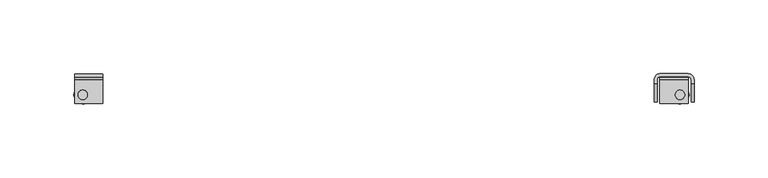
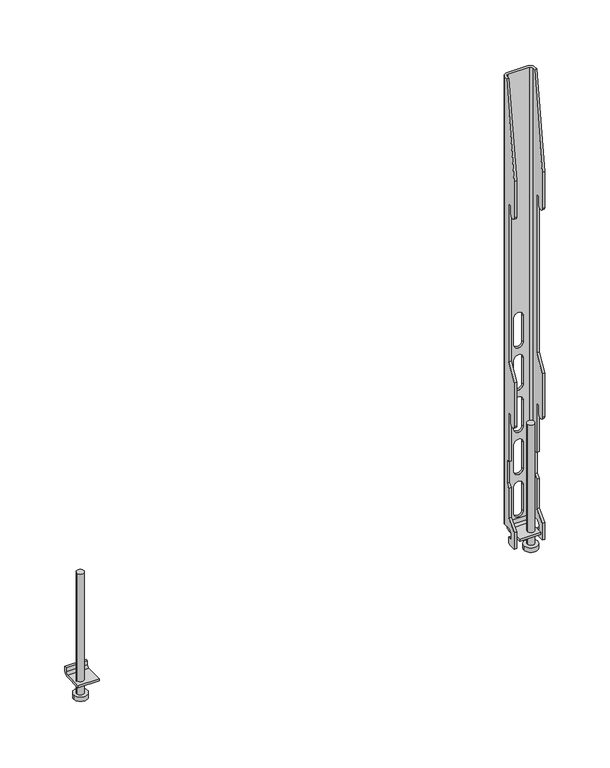
"""IFC4 building model written with IfcOpenShell, lengths in millimetres: furniture geometry."""

from ifc_helpers import new_model, si_unit, point, frame, frame_2d, origin, place, context, project, spatial, polyline, circle_curve, trimmed, segment, composite_curve, outline, extrude, source, transform, mapped, element, save
from ifc_brep_helpers import plane_surface, cylinder_surface, revolved_surface, advanced_brep


def furniture_82c41299(model_context):
    return source(origin(), model_context, "Body", "SolidModel", [
        extrude(outline(composite_curve([segment(polyline([(36.9636277, 1131.5158432), (36.9636277, 1127.5158239)]), True, "CONTINUOUS"), segment(trimmed(circle_curve(frame_2d((32.9636266, 1127.5158239)), 4.0000011), [point((36.9636277, 1127.5158239))], [point((32.9636266, 1123.5158228))], False, "CARTESIAN"), True, "CONTINUOUS"), segment(polyline([(32.9636266, 1123.5158228), (16.9636278, 1123.5158228), (16.9636278, 1125.5157734), (32.9636266, 1125.5157734)]), True, "CONTINUOUS"), segment(trimmed(circle_curve(frame_2d((32.9636266, 1127.515774)), 2.0000006), [point((32.9636266, 1125.5157734))], [point((34.9636271, 1127.515774))], True, "CARTESIAN"), True, "CONTINUOUS"), segment(polyline([(34.9636271, 1127.515774), (34.9636271, 1131.5158432), (36.9636277, 1131.5158432)]), True, "CONTINUOUS")], self_intersect=False)), frame((-209.6576124, 0.0, 0.0), z_axis=(1.0, 0.0, 0.0), x_axis=(0.0, 1.0, 0.0)), (0.0, 0.0, 1.0), 19.0000031),
        extrude(outline(composite_curve([segment(trimmed(circle_curve(frame_2d((-204.1576029, 22.8036272)), 3.1749879), [point((-207.3325908, 22.8036272))], [point((-200.9826151, 22.8036272))], False, "CARTESIAN"), True, "CONTINUOUS"), segment(trimmed(circle_curve(frame_2d((-204.1576029, 22.8036272)), 3.1749879), [point((-200.9826151, 22.8036272))], [point((-207.3325908, 22.8036272))], False, "CARTESIAN"), True, "CONTINUOUS")], self_intersect=False)), frame((0.0, 0.0, 1113.5157791), z_axis=(0.0, 0.0, 1.0), x_axis=(1.0, 0.0, 0.0)), (0.0, 0.0, 1.0), 114.3),
        advanced_brep(
        [(181.8882982, 32.9636356, 1555.3157744), (181.8882982, 29.9636247, 1555.3157744), (183.8882851, 29.9636247, 1555.3157744), (183.8882851, 32.963622, 1555.3157744), (185.8882902, 34.9636271, 1555.3157744), (204.8882978, 34.9636271, 1555.3157744), (206.8882984, 32.9636266, 1555.3157744), (206.8882984, 29.9636247, 1555.3157744), (208.8882853, 29.9636247, 1555.3157744), (208.8882853, 32.9636266, 1555.3157744), (204.8882842, 36.9636277, 1555.3157744), (185.8882902, 36.9636277, 1555.3157744), (206.8882984, 17.9636269, 1117.0157835), (206.8882984, 24.9636266, 1117.0157835), (208.8882853, 24.9636266, 1117.0157835), (208.8882853, 17.9636269, 1117.0157835), (181.8882982, 17.9636269, 1117.0157835), (181.8882982, 24.9636266, 1117.0157835), (183.8882851, 24.9636266, 1117.0157835), (183.8882851, 17.9636269, 1117.0157835), (181.8882982, 32.9636356, 1131.5158432), (181.8882982, 26.9636726, 1131.5158432), (181.8882982, 22.963626, 1127.5157967), (181.8882982, 22.963626, 1123.0157807), (181.8882982, 26.9636272, 1123.0157807), (181.8882982, 26.9636272, 1119.0157841), (181.8882982, 17.9636269, 1132.9157634), (181.8882982, 26.4636259, 1141.4157636), (181.8882982, 26.4636259, 1169.4575663), (181.8882982, 29.4636267, 1172.8389023), (181.8882982, 29.4636267, 1194.9158251), (181.8882982, 26.4636259, 1194.9158251), (181.8882982, 26.4636259, 1241.4158211), (181.8882982, 23.4636273, 1241.4158211), (181.8882982, 23.4636273, 1233.165816), (181.8882982, 17.9636269, 1233.165816), (181.8882982, 17.9636269, 1274.6933966), (181.8882982, 26.4636259, 1289.41577), (181.8882982, 26.4636259, 1439.4157267), (181.8882982, 23.4636273, 1439.4157267), (181.8882982, 23.4636273, 1431.1657942), (181.8882982, 17.9636269, 1431.1657942), (181.8882982, 17.9636269, 1465.3158442), (183.8882851, 17.9636269, 1132.9157634), (183.8882851, 17.9636269, 1431.1657942), (183.8882851, 17.9636269, 1465.3158442), (183.8882851, 17.9636269, 1233.165816), (183.8882851, 17.9636269, 1274.6933966), (183.8882851, 23.4636273, 1431.1657942), (183.8882851, 23.4636273, 1439.4157267), (183.8882851, 26.4636259, 1439.4157267), (183.8882851, 26.4636259, 1289.41577), (183.8882851, 23.4636273, 1233.165816), (183.8882851, 23.4636273, 1241.4158211), (183.8882851, 26.4636259, 1241.4158211), (183.8882851, 26.4636259, 1194.9158251), (183.8882851, 29.4636267, 1194.9158251), (183.8882851, 29.4636267, 1172.8389023), (183.8882851, 26.4636259, 1169.4575663), (183.8882851, 26.4636259, 1141.4157636), (183.8882851, 26.9636272, 1119.0157841), (183.8882851, 26.9636272, 1123.0157807), (183.8882851, 22.963626, 1123.0157807), (183.8882851, 22.963626, 1127.5157967), (183.8882851, 26.9636726, 1131.5158432), (183.8882851, 32.963622, 1131.5158432), (185.8882902, 34.9636271, 1131.5158432), (204.8882978, 34.9636271, 1131.5158432), (191.1382968, 34.9636271, 1321.9157767), (199.6382867, 34.9636271, 1321.9157767), (199.6382867, 34.9636271, 1297.1157643), (191.1382968, 34.9636271, 1297.1157643), (191.1382968, 34.9636271, 1281.91582), (199.6382867, 34.9636271, 1281.91582), (199.6382867, 34.9636271, 1257.1158076), (191.1382968, 34.9636271, 1257.1158076), (191.1382968, 34.9636271, 1241.9157906), (199.6382867, 34.9636271, 1241.9157906), (199.6382867, 34.9636271, 1217.1157782), (191.1382968, 34.9636271, 1217.1157782), (191.1382968, 34.9636271, 1201.9157612), (199.6382867, 34.9636271, 1201.9157612), (199.6382867, 34.9636271, 1177.1157488), (191.1382968, 34.9636271, 1177.1157488), (191.1382968, 34.9636271, 1161.9158045), (199.6382867, 34.9636271, 1161.9158045), (199.6382867, 34.9636271, 1137.1157921), (191.1382968, 34.9636271, 1137.1157921), (206.8882984, 32.9636266, 1131.5158432), (206.8882984, 26.9636726, 1131.5158432), (206.8882984, 22.963626, 1127.5157967), (206.8882984, 22.963626, 1123.0157807), (206.8882984, 26.9636272, 1123.0157807), (206.8882984, 26.9636272, 1119.0157841), (206.8882984, 17.9636269, 1132.9157634), (206.8882984, 26.4636259, 1141.4157636), (206.8882984, 26.4636259, 1169.4575663), (206.8882984, 29.4636267, 1172.8389023), (206.8882984, 29.4636267, 1194.9158251), (206.8882984, 26.4636259, 1194.9158251), (206.8882984, 26.4636259, 1241.4158211), (206.8882984, 23.4636273, 1241.4158211), (206.8882984, 23.4636273, 1233.165816), (206.8882984, 17.9636269, 1233.165816), (206.8882984, 17.9636269, 1274.6933966), (206.8882984, 26.4636259, 1289.41577), (206.8882984, 26.4636259, 1439.4157267), (206.8882984, 23.4636273, 1439.4157267), (206.8882984, 23.4636273, 1431.1657942), (206.8882984, 17.9636269, 1431.1657942), (206.8882984, 17.9636269, 1465.3158442), (208.8882853, 17.9636269, 1132.9157634), (208.8882853, 17.9636269, 1431.1657942), (208.8882853, 17.9636269, 1465.3158442), (208.8882853, 17.9636269, 1233.165816), (208.8882853, 17.9636269, 1274.6933966), (208.8882853, 23.4636273, 1431.1657942), (208.8882853, 23.4636273, 1439.4157267), (208.8882853, 26.4636259, 1439.4157267), (208.8882853, 26.4636259, 1289.41577), (208.8882853, 23.4636273, 1233.165816), (208.8882853, 23.4636273, 1241.4158211), (208.8882853, 26.4636259, 1241.4158211), (208.8882853, 26.4636259, 1194.9158251), (208.8882853, 29.4636267, 1194.9158251), (208.8882853, 29.4636267, 1172.8389023), (208.8882853, 26.4636259, 1169.4575663), (208.8882853, 26.4636259, 1141.4157636), (208.8882853, 26.9636272, 1119.0157841), (208.8882853, 26.9636272, 1123.0157807), (208.8882853, 22.963626, 1123.0157807), (208.8882853, 22.963626, 1127.5157967), (208.8882853, 26.9636726, 1131.5158432), (208.8882853, 32.9636266, 1131.5158432), (204.8882842, 36.9636277, 1131.5158432), (185.8882902, 36.9636277, 1131.5158432), (191.1382968, 36.9636277, 1297.1157643), (199.6382867, 36.9636277, 1297.1157643), (199.6382867, 36.9636277, 1321.9157767), (191.1382968, 36.9636277, 1321.9157767), (191.1382968, 36.9636277, 1257.1158076), (199.6382867, 36.9636277, 1257.1158076), (199.6382867, 36.9636277, 1281.91582), (191.1382968, 36.9636277, 1281.91582), (191.1382968, 36.9636277, 1217.1157782), (199.6382867, 36.9636277, 1217.1157782), (199.6382867, 36.9636277, 1241.9157906), (191.1382968, 36.9636277, 1241.9157906), (191.1382968, 36.9636277, 1177.1157488), (199.6382867, 36.9636277, 1177.1157488), (199.6382867, 36.9636277, 1201.9157612), (191.1382968, 36.9636277, 1201.9157612), (191.1382968, 36.9636277, 1137.1157921), (199.6382867, 36.9636277, 1137.1157921), (199.6382867, 36.9636277, 1161.9158045), (191.1382968, 36.9636277, 1161.9158045)],
        [
            (0, 1),
            (1, 2),
            (2, 3),
            (3, 4, circle_curve(frame((185.8882902, 32.963622, 1555.3157744), z_axis=(0.0, 0.0, -1.0), x_axis=(-1.0, 0.0, 0.0)), 2.0000051)),
            (4, 5),
            (5, 6, circle_curve(frame((204.8882978, 32.9636266, 1555.3157744), z_axis=(0.0, 0.0, -1.0), x_axis=(-1.0, 0.0, 0.0)), 2.0000006)),
            (6, 7),
            (7, 8),
            (8, 9),
            (9, 10, circle_curve(frame((204.8882842, 32.9636266, 1555.3157744), z_axis=(0.0, 0.0, 1.0), x_axis=(-1.0, 0.0, 0.0)), 4.0000011)),
            (10, 11),
            (11, 0, circle_curve(frame((185.8882902, 32.9636356, 1555.3157744), z_axis=(0.0, 0.0, 1.0), x_axis=(-1.0, 0.0, 0.0)), 3.999992)),
            (12, 13),
            (13, 14),
            (14, 15),
            (15, 12),
            (16, 17),
            (17, 18),
            (18, 19),
            (19, 16),
            (0, 20),
            (20, 21),
            (21, 22, circle_curve(frame((181.8882982, 26.9636726, 1127.5157967), z_axis=(1.0, 0.0, 0.0), x_axis=(0.0, 1.0, 0.0)), 4.0000465)),
            (22, 23),
            (23, 24),
            (24, 25),
            (25, 17, circle_curve(frame((181.8882982, 24.9636266, 1119.0157841), z_axis=(-1.0, 0.0, 0.0), x_axis=(0.0, 1.0, 0.0)), 2.0000006)),
            (16, 26),
            (26, 27),
            (27, 28),
            (28, 29),
            (29, 30),
            (30, 31),
            (31, 32),
            (32, 33),
            (33, 34),
            (34, 35, circle_curve(frame((181.8882982, 20.7136271, 1233.165816), z_axis=(-1.0, 0.0, 0.0), x_axis=(0.0, 1.0, 0.0)), 2.7500002)),
            (35, 36),
            (36, 37),
            (37, 38),
            (38, 39),
            (39, 40),
            (40, 41, circle_curve(frame((181.8882982, 20.7136271, 1431.1657942), z_axis=(-1.0, 0.0, 0.0), x_axis=(0.0, 1.0, 0.0)), 2.7500002)),
            (41, 42),
            (42, 1),
            (19, 43),
            (43, 26),
            (41, 44),
            (44, 45),
            (45, 42),
            (35, 46),
            (46, 47),
            (47, 36),
            (2, 45),
            (44, 48, circle_curve(frame((183.8882851, 20.7136271, 1431.1657942), z_axis=(1.0, 0.0, 0.0), x_axis=(0.0, 1.0, 0.0)), 2.7500002)),
            (48, 49),
            (49, 50),
            (50, 51),
            (51, 47),
            (46, 52, circle_curve(frame((183.8882851, 20.7136271, 1233.165816), z_axis=(1.0, 0.0, 0.0), x_axis=(0.0, 1.0, 0.0)), 2.7500002)),
            (52, 53),
            (53, 54),
            (54, 55),
            (55, 56),
            (56, 57),
            (57, 58),
            (58, 59),
            (59, 43),
            (18, 60, circle_curve(frame((183.8882851, 24.9636266, 1119.0157841), z_axis=(1.0, 0.0, 0.0), x_axis=(0.0, 1.0, 0.0)), 2.0000006)),
            (60, 61),
            (61, 62),
            (62, 63),
            (63, 64, circle_curve(frame((183.8882851, 26.9636726, 1127.5157967), z_axis=(-1.0, 0.0, 0.0), x_axis=(0.0, 1.0, 0.0)), 4.0000465)),
            (64, 65),
            (65, 3),
            (65, 66, circle_curve(frame((185.8882902, 32.963622, 1131.5158432), z_axis=(0.0, 0.0, -1.0), x_axis=(-1.0, 0.0, 0.0)), 2.0000051)),
            (66, 4),
            (66, 67),
            (67, 5),
            (68, 69, circle_curve(frame((195.3882917, 34.9636271, 1321.9157767), z_axis=(0.0, 1.0, 0.0), x_axis=(-1.0, 0.0, 0.0)), 4.2499949)),
            (69, 70),
            (70, 71, circle_curve(frame((195.3882917, 34.9636271, 1297.1157643), z_axis=(0.0, 1.0, 0.0), x_axis=(-1.0, 0.0, 0.0)), 4.2499949)),
            (71, 68),
            (72, 73, circle_curve(frame((195.3882917, 34.9636271, 1281.91582), z_axis=(0.0, 1.0, 0.0), x_axis=(-1.0, 0.0, 0.0)), 4.2499949)),
            (73, 74),
            (74, 75, circle_curve(frame((195.3882917, 34.9636271, 1257.1158076), z_axis=(0.0, 1.0, 0.0), x_axis=(-1.0, 0.0, 0.0)), 4.2499949)),
            (75, 72),
            (76, 77, circle_curve(frame((195.3882917, 34.9636271, 1241.9157906), z_axis=(0.0, 1.0, 0.0), x_axis=(-1.0, 0.0, 0.0)), 4.2499949)),
            (77, 78),
            (78, 79, circle_curve(frame((195.3882917, 34.9636271, 1217.1157782), z_axis=(0.0, 1.0, 0.0), x_axis=(-1.0, 0.0, 0.0)), 4.2499949)),
            (79, 76),
            (80, 81, circle_curve(frame((195.3882917, 34.9636271, 1201.9157612), z_axis=(0.0, 1.0, 0.0), x_axis=(-1.0, 0.0, 0.0)), 4.2499949)),
            (81, 82),
            (82, 83, circle_curve(frame((195.3882917, 34.9636271, 1177.1157488), z_axis=(0.0, 1.0, 0.0), x_axis=(-1.0, 0.0, 0.0)), 4.2499949)),
            (83, 80),
            (84, 85, circle_curve(frame((195.3882917, 34.9636271, 1161.9158045), z_axis=(0.0, 1.0, 0.0), x_axis=(-1.0, 0.0, 0.0)), 4.2499949)),
            (85, 86),
            (86, 87, circle_curve(frame((195.3882917, 34.9636271, 1137.1157921), z_axis=(0.0, 1.0, 0.0), x_axis=(-1.0, 0.0, 0.0)), 4.2499949)),
            (87, 84),
            (67, 88, circle_curve(frame((204.8882978, 32.9636266, 1131.5158432), z_axis=(0.0, 0.0, -1.0), x_axis=(-1.0, 0.0, 0.0)), 2.0000006)),
            (88, 6),
            (88, 89),
            (89, 90, circle_curve(frame((206.8882984, 26.9636726, 1127.5157967), z_axis=(1.0, 0.0, 0.0), x_axis=(0.0, 1.0, 0.0)), 4.0000465)),
            (90, 91),
            (91, 92),
            (92, 93),
            (93, 13, circle_curve(frame((206.8882984, 24.9636266, 1119.0157841), z_axis=(-1.0, 0.0, 0.0), x_axis=(0.0, 1.0, 0.0)), 2.0000006)),
            (12, 94),
            (94, 95),
            (95, 96),
            (96, 97),
            (97, 98),
            (98, 99),
            (99, 100),
            (100, 101),
            (101, 102),
            (102, 103, circle_curve(frame((206.8882984, 20.7136271, 1233.165816), z_axis=(-1.0, 0.0, 0.0), x_axis=(0.0, 1.0, 0.0)), 2.7500002)),
            (103, 104),
            (104, 105),
            (105, 106),
            (106, 107),
            (107, 108),
            (108, 109, circle_curve(frame((206.8882984, 20.7136271, 1431.1657942), z_axis=(-1.0, 0.0, 0.0), x_axis=(0.0, 1.0, 0.0)), 2.7500002)),
            (109, 110),
            (110, 7),
            (15, 111),
            (111, 94),
            (109, 112),
            (112, 113),
            (113, 110),
            (103, 114),
            (114, 115),
            (115, 104),
            (8, 113),
            (112, 116, circle_curve(frame((208.8882853, 20.7136271, 1431.1657942), z_axis=(1.0, 0.0, 0.0), x_axis=(0.0, 1.0, 0.0)), 2.7500002)),
            (116, 117),
            (117, 118),
            (118, 119),
            (119, 115),
            (114, 120, circle_curve(frame((208.8882853, 20.7136271, 1233.165816), z_axis=(1.0, 0.0, 0.0), x_axis=(0.0, 1.0, 0.0)), 2.7500002)),
            (120, 121),
            (121, 122),
            (122, 123),
            (123, 124),
            (124, 125),
            (125, 126),
            (126, 127),
            (127, 111),
            (14, 128, circle_curve(frame((208.8882853, 24.9636266, 1119.0157841), z_axis=(1.0, 0.0, 0.0), x_axis=(0.0, 1.0, 0.0)), 2.0000006)),
            (128, 129),
            (129, 130),
            (130, 131),
            (131, 132, circle_curve(frame((208.8882853, 26.9636726, 1127.5157967), z_axis=(-1.0, 0.0, 0.0), x_axis=(0.0, 1.0, 0.0)), 4.0000465)),
            (132, 133),
            (133, 9),
            (133, 134, circle_curve(frame((204.8882842, 32.9636266, 1131.5158432), z_axis=(0.0, 0.0, 1.0), x_axis=(-1.0, 0.0, 0.0)), 4.0000011)),
            (134, 10),
            (134, 135),
            (135, 11),
            (136, 137, circle_curve(frame((195.3882917, 36.9636277, 1297.1157643), z_axis=(0.0, -1.0, 0.0), x_axis=(-1.0, 0.0, 0.0)), 4.2499949)),
            (137, 138),
            (138, 139, circle_curve(frame((195.3882917, 36.9636277, 1321.9157767), z_axis=(0.0, -1.0, 0.0), x_axis=(-1.0, 0.0, 0.0)), 4.2499949)),
            (139, 136),
            (140, 141, circle_curve(frame((195.3882917, 36.9636277, 1257.1158076), z_axis=(0.0, -1.0, 0.0), x_axis=(-1.0, 0.0, 0.0)), 4.2499949)),
            (141, 142),
            (142, 143, circle_curve(frame((195.3882917, 36.9636277, 1281.91582), z_axis=(0.0, -1.0, 0.0), x_axis=(-1.0, 0.0, 0.0)), 4.2499949)),
            (143, 140),
            (144, 145, circle_curve(frame((195.3882917, 36.9636277, 1217.1157782), z_axis=(0.0, -1.0, 0.0), x_axis=(-1.0, 0.0, 0.0)), 4.2499949)),
            (145, 146),
            (146, 147, circle_curve(frame((195.3882917, 36.9636277, 1241.9157906), z_axis=(0.0, -1.0, 0.0), x_axis=(-1.0, 0.0, 0.0)), 4.2499949)),
            (147, 144),
            (148, 149, circle_curve(frame((195.3882917, 36.9636277, 1177.1157488), z_axis=(0.0, -1.0, 0.0), x_axis=(-1.0, 0.0, 0.0)), 4.2499949)),
            (149, 150),
            (150, 151, circle_curve(frame((195.3882917, 36.9636277, 1201.9157612), z_axis=(0.0, -1.0, 0.0), x_axis=(-1.0, 0.0, 0.0)), 4.2499949)),
            (151, 148),
            (152, 153, circle_curve(frame((195.3882917, 36.9636277, 1137.1157921), z_axis=(0.0, -1.0, 0.0), x_axis=(-1.0, 0.0, 0.0)), 4.2499949)),
            (153, 154),
            (154, 155, circle_curve(frame((195.3882917, 36.9636277, 1161.9158045), z_axis=(0.0, -1.0, 0.0), x_axis=(-1.0, 0.0, 0.0)), 4.2499949)),
            (155, 152),
            (135, 20, circle_curve(frame((185.8882902, 32.9636356, 1131.5158432), z_axis=(0.0, 0.0, 1.0), x_axis=(-1.0, 0.0, 0.0)), 3.999992)),
            (71, 136),
            (139, 68),
            (138, 69),
            (137, 70),
            (75, 140),
            (143, 72),
            (142, 73),
            (141, 74),
            (79, 144),
            (147, 76),
            (146, 77),
            (145, 78),
            (83, 148),
            (151, 80),
            (150, 81),
            (149, 82),
            (87, 152),
            (155, 84),
            (154, 85),
            (153, 86),
            (37, 51),
            (50, 38),
            (105, 119),
            (118, 106),
            (40, 48),
            (108, 116),
            (39, 49),
            (107, 117),
            (31, 55),
            (54, 32),
            (99, 123),
            (122, 100),
            (30, 56),
            (98, 124),
            (29, 57),
            (97, 125),
            (28, 58),
            (96, 126),
            (27, 59),
            (95, 127),
            (34, 52),
            (102, 120),
            (33, 53),
            (101, 121),
            (132, 89),
            (64, 21),
            (25, 60),
            (93, 128),
            (24, 61),
            (92, 129),
            (23, 62),
            (91, 130),
            (22, 63),
            (90, 131),
        ],
        [
            plane_surface(frame((181.8882982, 32.9636356, 1555.3157744), z_axis=(0.0, 0.0, 1.0), x_axis=(0.0, 1.0, 0.0))),
            plane_surface(frame((181.8882982, 32.9636356, 1117.0157835), z_axis=(0.0, 0.0, -1.0), x_axis=(0.0, -1.0, 0.0))),
            plane_surface(frame((181.8882982, 17.9636269, 1555.3157744), z_axis=(-1.0, 0.0, 0.0), x_axis=(0.0, 0.0, -1.0))),
            plane_surface(frame((183.8882851, 17.9636269, 1555.3157744), z_axis=(0.0, -1.0, 0.0), x_axis=(0.0, 0.0, -1.0))),
            plane_surface(frame((183.8882851, 32.963622, 1555.3157744), z_axis=(1.0, 0.0, 0.0), x_axis=(0.0, 0.0, -1.0))),
            revolved_surface(polyline([(183.8882851, 32.963622, 1131.5158432), (183.8882851, 32.963622, 1555.3157744)]), (185.8882902, 32.963622, 1117.0157835), (0.0, 0.0, -1.0)),
            plane_surface(frame((204.8882978, 34.9636271, 1555.3157744), z_axis=(0.0, -1.0, 0.0), x_axis=(0.0, 0.0, -1.0))),
            revolved_surface(polyline([(202.8882972, 32.9636266, 1131.5158432), (202.8882972, 32.9636266, 1555.3157744)]), (204.8882978, 32.9636266, 1117.0157835), (0.0, 0.0, -1.0)),
            plane_surface(frame((206.8882984, 17.9636269, 1555.3157744), z_axis=(-1.0, 0.0, 0.0), x_axis=(0.0, 0.0, -1.0))),
            plane_surface(frame((208.8882853, 17.9636269, 1555.3157744), z_axis=(0.0, -1.0, 0.0), x_axis=(0.0, 0.0, -1.0))),
            plane_surface(frame((208.8882853, 32.9636266, 1555.3157744), z_axis=(1.0, 0.0, 0.0), x_axis=(0.0, 0.0, -1.0))),
            cylinder_surface(frame((204.8882842, 32.9636266, 1117.0157835), z_axis=(0.0, 0.0, 1.0), x_axis=(-1.0, 0.0, 0.0)), 4.0000011),
            plane_surface(frame((185.8882902, 36.9636277, 1555.3157744), z_axis=(0.0, 1.0, 0.0), x_axis=(0.0, 0.0, -1.0))),
            cylinder_surface(frame((185.8882902, 32.9636356, 1117.0157835), z_axis=(0.0, 0.0, 1.0), x_axis=(-1.0, 0.0, 0.0)), 3.999992),
            plane_surface(frame((191.1382968, 43.4479611, 1321.9157767), z_axis=(1.0, 0.0, 0.0), x_axis=(0.0, -1.0, 0.0))),
            revolved_surface(polyline([(191.1382968, 36.9636277, 1321.9157767), (191.1382968, 34.9636271, 1321.9157767)]), (195.3882917, 32.0423365, 1321.9157767), (0.0, 1.0, 0.0)),
            plane_surface(frame((199.6382867, 43.4479611, 1297.1157643), z_axis=(-1.0, 0.0, 0.0), x_axis=(0.0, -1.0, 0.0))),
            revolved_surface(polyline([(191.1382968, 36.9636277, 1297.1157643), (191.1382968, 34.9636271, 1297.1157643)]), (195.3882917, 32.0423365, 1297.1157643), (0.0, 1.0, 0.0)),
            plane_surface(frame((191.1382968, 43.4479611, 1281.91582), z_axis=(1.0, 0.0, 0.0), x_axis=(0.0, -1.0, 0.0))),
            revolved_surface(polyline([(191.1382968, 36.9636277, 1281.91582), (191.1382968, 34.9636271, 1281.91582)]), (195.3882917, 0.0, 1281.91582), (0.0, 1.0, 0.0)),
            plane_surface(frame((199.6382867, 43.4479611, 1257.1158076), z_axis=(-1.0, 0.0, 0.0), x_axis=(0.0, -1.0, 0.0))),
            revolved_surface(polyline([(191.1382968, 36.9636277, 1257.1158076), (191.1382968, 34.9636271, 1257.1158076)]), (195.3882917, 0.0, 1257.1158076), (0.0, 1.0, 0.0)),
            plane_surface(frame((191.1382968, 43.4479611, 1241.9157906), z_axis=(1.0, 0.0, 0.0), x_axis=(0.0, -1.0, 0.0))),
            revolved_surface(polyline([(191.1382968, 36.9636277, 1241.9157906), (191.1382968, 34.9636271, 1241.9157906)]), (195.3882917, 0.0, 1241.9157906), (0.0, 1.0, 0.0)),
            plane_surface(frame((199.6382867, 43.4479611, 1217.1157782), z_axis=(-1.0, 0.0, 0.0), x_axis=(0.0, -1.0, 0.0))),
            revolved_surface(polyline([(191.1382968, 36.9636277, 1217.1157782), (191.1382968, 34.9636271, 1217.1157782)]), (195.3882917, 0.0, 1217.1157782), (0.0, 1.0, 0.0)),
            plane_surface(frame((191.1382968, 43.4479611, 1201.9157612), z_axis=(1.0, 0.0, 0.0), x_axis=(0.0, -1.0, 0.0))),
            revolved_surface(polyline([(191.1382968, 36.9636277, 1201.9157612), (191.1382968, 34.9636271, 1201.9157612)]), (195.3882917, 0.0, 1201.9157612), (0.0, 1.0, 0.0)),
            plane_surface(frame((199.6382867, 43.4479611, 1177.1157488), z_axis=(-1.0, 0.0, 0.0), x_axis=(0.0, -1.0, 0.0))),
            revolved_surface(polyline([(191.1382968, 36.9636277, 1177.1157488), (191.1382968, 34.9636271, 1177.1157488)]), (195.3882917, 0.0, 1177.1157488), (0.0, 1.0, 0.0)),
            plane_surface(frame((191.1382968, 43.4479611, 1161.9158045), z_axis=(1.0, 0.0, 0.0), x_axis=(0.0, -1.0, 0.0))),
            revolved_surface(polyline([(191.1382968, 36.9636277, 1161.9158045), (191.1382968, 34.9636271, 1161.9158045)]), (195.3882917, 0.0, 1161.9158045), (0.0, 1.0, 0.0)),
            plane_surface(frame((199.6382867, 43.4479611, 1137.1157921), z_axis=(-1.0, 0.0, 0.0), x_axis=(0.0, -1.0, 0.0))),
            revolved_surface(polyline([(191.1382968, 36.9636277, 1137.1157921), (191.1382968, 34.9636271, 1137.1157921)]), (195.3882917, 0.0, 1137.1157921), (0.0, 1.0, 0.0)),
            plane_surface(frame((226.6458366, 29.9636247, 1555.3157744), z_axis=(0.0, -0.9912278903845622, 0.13216379732653882), x_axis=(-1.0, 0.0, 0.0))),
            plane_surface(frame((226.6458366, 26.4636259, 1439.4157267), z_axis=(0.0, -1.0, 0.0), x_axis=(-1.0, 0.0, 0.0))),
            plane_surface(frame((226.6458366, 26.4636259, 1289.41577), z_axis=(0.0, -0.8660245695453659, 0.5000014449416761), x_axis=(-1.0, 0.0, 0.0))),
            cylinder_surface(frame((0.0, 20.7136271, 1431.1657942), z_axis=(-1.0, 0.0, 0.0), x_axis=(0.0, 1.0, 0.0)), 2.7500002),
            plane_surface(frame((226.6458366, 23.4636273, 1431.1657942), z_axis=(0.0, 1.0, 0.0), x_axis=(-1.0, 0.0, 0.0))),
            plane_surface(frame((226.6458366, 23.4636273, 1439.4157267), z_axis=(0.0, 0.0, -1.0), x_axis=(-1.0, 0.0, 0.0))),
            plane_surface(frame((226.6458366, 26.4636259, 1241.4158211), z_axis=(0.0, -1.0, 0.0), x_axis=(-1.0, 0.0, 0.0))),
            plane_surface(frame((226.6458366, 26.4636259, 1194.9158251), z_axis=(0.0, 0.0, -1.0), x_axis=(-1.0, 0.0, 0.0))),
            plane_surface(frame((226.6458366, 29.4636267, 1194.9158251), z_axis=(0.0, -1.0, 0.0), x_axis=(-1.0, 0.0, 0.0))),
            plane_surface(frame((226.6458366, 29.4636267, 1172.8389023), z_axis=(0.0, -0.7480275709207617, 0.6636676526262109), x_axis=(-1.0, 0.0, 0.0))),
            plane_surface(frame((226.6458366, 26.4636259, 1169.4575663), z_axis=(0.0, -1.0, 0.0), x_axis=(-1.0, 0.0, 0.0))),
            plane_surface(frame((226.6458366, 26.4636259, 1141.4157636), z_axis=(0.0, -0.7071068328679035, 0.7071067295051878), x_axis=(-1.0, 0.0, 0.0))),
            cylinder_surface(frame((0.0, 20.7136271, 1233.165816), z_axis=(-1.0, 0.0, 0.0), x_axis=(0.0, 1.0, 0.0)), 2.7500002),
            plane_surface(frame((226.6458366, 23.4636273, 1233.165816), z_axis=(0.0, 1.0, 0.0), x_axis=(-1.0, 0.0, 0.0))),
            plane_surface(frame((226.6458366, 23.4636273, 1241.4158211), z_axis=(0.0, 0.0, -1.0), x_axis=(-1.0, 0.0, 0.0))),
            plane_surface(frame((226.6458366, 26.9636726, 1131.5158432), z_axis=(0.0, 0.0, -1.0), x_axis=(-1.0, 0.0, 0.0))),
            cylinder_surface(frame((0.0, 24.9636266, 1119.0157841), z_axis=(-1.0, 0.0, 0.0), x_axis=(0.0, 1.0, 0.0)), 2.0000006),
            plane_surface(frame((226.6458366, 26.9636272, 1119.0157841), z_axis=(0.0, 1.0, 0.0), x_axis=(-1.0, 0.0, 0.0))),
            plane_surface(frame((226.6458366, 26.9636272, 1123.0157807), z_axis=(0.0, 0.0, 1.0), x_axis=(-1.0, 0.0, 0.0))),
            plane_surface(frame((226.6458366, 22.963626, 1123.0157807), z_axis=(0.0, 1.0, 0.0), x_axis=(-1.0, 0.0, 0.0))),
            revolved_surface(polyline([(183.8882851, 30.9637191, 1127.5157967), (181.8882982, 30.9637191, 1127.5157967)]), (0.0, 26.9636726, 1127.5157967), (1.0, 0.0, 0.0)),
            revolved_surface(polyline([(208.8882853, 30.9637191, 1127.5157967), (206.8882984, 30.9637191, 1127.5157967)]), (0.0, 26.9636726, 1127.5157967), (1.0, 0.0, 0.0)),
        ],
        [
            (0, [[1, 2, 3, 4, 5, 6, 7, 8, 9, 10, 11, 12]]),
            (1, [[13, 14, 15, 16]]),
            (1, [[17, 18, 19, 20]]),
            (2, [[21, 22, 23, 24, 25, 26, 27, -17, 28, 29, 30, 31, 32, 33, 34, 35, 36, 37, 38, 39, 40, 41, 42, 43, 44, 45, -1]]),
            (3, [[46, 47, -28, -20]]),
            (3, [[48, 49, 50, -44]]),
            (3, [[51, 52, 53, -38]]),
            (4, [[54, -49, 55, 56, 57, 58, 59, -52, 60, 61, 62, 63, 64, 65, 66, 67, 68, -46, -19, 69, 70, 71, 72, 73, 74, 75, -3]]),
            (5, [[-75, 76, 77, -4]]),
            (6, [[-77, 78, 79, -5], [80, 81, 82, 83], [84, 85, 86, 87], [88, 89, 90, 91], [92, 93, 94, 95], [96, 97, 98, 99]]),
            (7, [[-79, 100, 101, -6]]),
            (8, [[-101, 102, 103, 104, 105, 106, 107, -13, 108, 109, 110, 111, 112, 113, 114, 115, 116, 117, 118, 119, 120, 121, 122, 123, 124, 125, -7]]),
            (9, [[126, 127, -108, -16]]),
            (9, [[128, 129, 130, -124]]),
            (9, [[131, 132, 133, -118]]),
            (10, [[134, -129, 135, 136, 137, 138, 139, -132, 140, 141, 142, 143, 144, 145, 146, 147, 148, -126, -15, 149, 150, 151, 152, 153, 154, 155, -9]]),
            (11, [[-155, 156, 157, -10]]),
            (12, [[-157, 158, 159, -11], [160, 161, 162, 163], [164, 165, 166, 167], [168, 169, 170, 171], [172, 173, 174, 175], [176, 177, 178, 179]]),
            (13, [[-159, 180, -21, -12]]),
            (14, [[-83, 181, -163, 182]]),
            (15, [[-162, 183, -80, -182]]),
            (16, [[-161, 184, -81, -183]]),
            (17, [[-160, -181, -82, -184]]),
            (18, [[-87, 185, -167, 186]]),
            (19, [[-166, 187, -84, -186]]),
            (20, [[-165, 188, -85, -187]]),
            (21, [[-164, -185, -86, -188]]),
            (22, [[-91, 189, -171, 190]]),
            (23, [[-170, 191, -88, -190]]),
            (24, [[-169, 192, -89, -191]]),
            (25, [[-168, -189, -90, -192]]),
            (26, [[-95, 193, -175, 194]]),
            (27, [[-174, 195, -92, -194]]),
            (28, [[-173, 196, -93, -195]]),
            (29, [[-172, -193, -94, -196]]),
            (30, [[-99, 197, -179, 198]]),
            (31, [[-178, 199, -96, -198]]),
            (32, [[-177, 200, -97, -199]]),
            (33, [[-176, -197, -98, -200]]),
            (34, [[-45, -50, -54, -2]]),
            (34, [[-125, -130, -134, -8]]),
            (35, [[-40, 201, -58, 202]]),
            (35, [[-120, 203, -138, 204]]),
            (36, [[-39, -53, -59, -201]]),
            (36, [[-119, -133, -139, -203]]),
            (37, [[-55, -48, -43, 205]]),
            (37, [[-135, -128, -123, 206]]),
            (38, [[-42, 207, -56, -205]]),
            (38, [[-122, 208, -136, -206]]),
            (39, [[-57, -207, -41, -202]]),
            (39, [[-137, -208, -121, -204]]),
            (40, [[-34, 209, -63, 210]]),
            (40, [[-114, 211, -143, 212]]),
            (41, [[-33, 213, -64, -209]]),
            (41, [[-113, 214, -144, -211]]),
            (42, [[-32, 215, -65, -213]]),
            (42, [[-112, 216, -145, -214]]),
            (43, [[-31, 217, -66, -215]]),
            (43, [[-111, 218, -146, -216]]),
            (44, [[-30, 219, -67, -217]]),
            (44, [[-110, 220, -147, -218]]),
            (45, [[-29, -47, -68, -219]]),
            (45, [[-109, -127, -148, -220]]),
            (46, [[-60, -51, -37, 221]]),
            (46, [[-140, -131, -117, 222]]),
            (47, [[-36, 223, -61, -221]]),
            (47, [[-116, 224, -141, -222]]),
            (48, [[-62, -223, -35, -210]]),
            (48, [[-142, -224, -115, -212]]),
            (49, [[-22, -180, -158, -156, -154, 225, -102, -100, -78, -76, -74, 226]]),
            (50, [[-69, -18, -27, 227]]),
            (50, [[-149, -14, -107, 228]]),
            (51, [[-26, 229, -70, -227]]),
            (51, [[-106, 230, -150, -228]]),
            (52, [[-25, 231, -71, -229]]),
            (52, [[-105, 232, -151, -230]]),
            (53, [[-24, 233, -72, -231]]),
            (53, [[-104, 234, -152, -232]]),
            (54, [[-73, -233, -23, -226]]),
            (55, [[-153, -234, -103, -225]]),
        ],
    ),
        extrude(outline(composite_curve([segment(polyline([(36.9636277, 1131.5158432), (36.9636277, 1127.5158239)]), True, "CONTINUOUS"), segment(trimmed(circle_curve(frame_2d((32.9636266, 1127.5158239)), 4.0000011), [point((36.9636277, 1127.5158239))], [point((32.9636266, 1123.5158228))], False, "CARTESIAN"), True, "CONTINUOUS"), segment(polyline([(32.9636266, 1123.5158228), (16.9636278, 1123.5158228), (16.9636278, 1125.5157734), (32.9636266, 1125.5157734)]), True, "CONTINUOUS"), segment(trimmed(circle_curve(frame_2d((32.9636266, 1127.515774)), 2.0000006), [point((32.9636266, 1125.5157734))], [point((34.9636271, 1127.515774))], True, "CARTESIAN"), True, "CONTINUOUS"), segment(polyline([(34.9636271, 1127.515774), (34.9636271, 1131.5158432), (36.9636277, 1131.5158432)]), True, "CONTINUOUS")], self_intersect=False)), frame((185.8882902, 0.0, 0.0), z_axis=(1.0, 0.0, 0.0), x_axis=(0.0, 1.0, 0.0)), (0.0, 0.0, 1.0), 19.0000031),
        extrude(outline(composite_curve([segment(trimmed(circle_curve(frame_2d((199.3882838, 22.8036272)), 6.1585259), [point((205.5468096, 22.8036272))], [point((193.2297579, 22.8036272))], False, "CARTESIAN"), True, "CONTINUOUS"), segment(trimmed(circle_curve(frame_2d((199.3882838, 22.8036272)), 6.1585259), [point((193.2297579, 22.8036272))], [point((205.5468096, 22.8036272))], False, "CARTESIAN"), True, "CONTINUOUS")], self_intersect=False)), frame((0.0, 0.0, 1109.2688), z_axis=(0.0, 0.0, 1.0), x_axis=(1.0, 0.0, 0.0)), (0.0, 0.0, 1.0), 4.2469791),
        extrude(outline(composite_curve([segment(trimmed(circle_curve(frame_2d((199.3882838, 22.8036272)), 3.1749879), [point((202.5632717, 22.8036272))], [point((196.2132959, 22.8036272))], False, "CARTESIAN"), True, "CONTINUOUS"), segment(trimmed(circle_curve(frame_2d((199.3882838, 22.8036272)), 3.1749879), [point((196.2132959, 22.8036272))], [point((202.5632717, 22.8036272))], False, "CARTESIAN"), True, "CONTINUOUS")], self_intersect=False)), frame((0.0, 0.0, 1113.5157791), z_axis=(0.0, 0.0, 1.0), x_axis=(1.0, 0.0, 0.0)), (0.0, 0.0, 1.0), 114.3),
        extrude(outline(composite_curve([segment(trimmed(circle_curve(frame_2d((-203.9240716, 22.8036272)), 6.1585259), [point((-210.0825975, 22.8036272))], [point((-197.7655457, 22.8036272))], False, "CARTESIAN"), True, "CONTINUOUS"), segment(trimmed(circle_curve(frame_2d((-203.9240716, 22.8036272)), 6.1585259), [point((-197.7655457, 22.8036272))], [point((-210.0825975, 22.8036272))], False, "CARTESIAN"), True, "CONTINUOUS")], self_intersect=False)), frame((0.0, 0.0, 1109.2688), z_axis=(0.0, 0.0, 1.0), x_axis=(1.0, 0.0, 0.0)), (0.0, 0.0, 1.0), 4.2469791),
    ])


if __name__ == "__main__":
    model = new_model("IFC4")
    model_context = context("Model", 3, world=origin())
    ifc_project = project(units=[si_unit("LENGTHUNIT", "METRE", prefix="MILLI")], contexts=[model_context])
    site = spatial("IfcSite", under=ifc_project)
    building = spatial("IfcBuilding", under=site)
    placement = place(None, origin())
    furniture_shape = furniture_82c41299(model_context)
    element("IfcFurniture", 1, at=placement, inside=building, context=model_context, shape_type="MappedRepresentation", body=[
        mapped(furniture_shape, transform((0.0, 0.0, 0.0), x_axis=(1.0, 0.0, 0.0), y_axis=(0.0, 1.0, 0.0), z_axis=(0.0, 0.0, 1.0))),
    ])
    save(model, "model.ifc")
